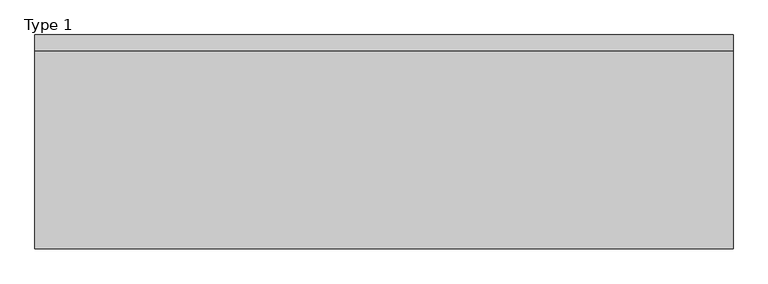
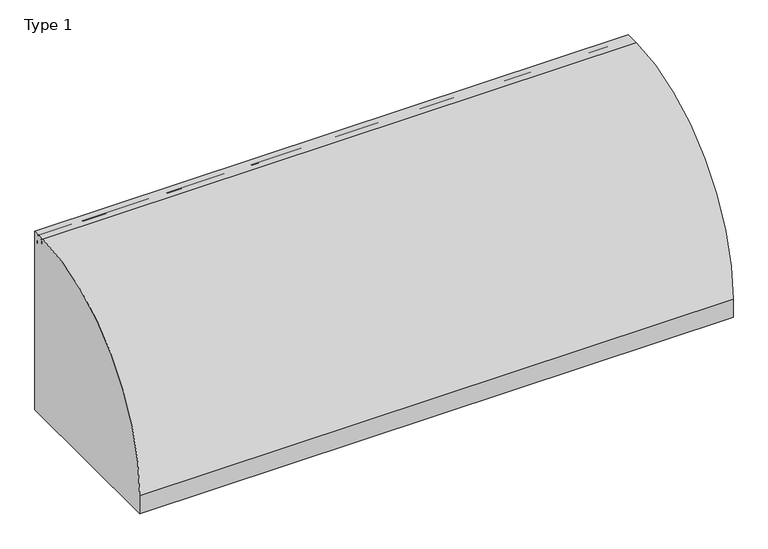
"""IFC4 building model written with IfcOpenShell, lengths in millimetres: railing geometry, Type 1."""

from ifc_helpers import new_model, si_unit, point, frame, frame_2d, origin, place, context, project, spatial, polyline, circle_curve, trimmed, segment, composite_curve, outline, extrude, source, transform, mapped, element, save
from ifc_brep_helpers import plane_surface, cylinder_surface, revolved_surface, advanced_brep


def type_1_a88101f5(model_context):
    return source(origin(), model_context, "Body", "SolidModel", [
        extrude(outline(composite_curve([segment(polyline([(824.2, 1050.0), (824.2, 0.0), (-187.2, 0.0), (-187.2, 108.0)]), True, "CONTINUOUS"), segment(trimmed(circle_curve(frame_2d((754.8273072, 108.0)), 942.0273072), [point((-187.2, 108.0))], [point((747.6546144, 1050.0))], False, "CARTESIAN"), True, "CONTINUOUS"), segment(polyline([(747.6546144, 1050.0), (824.2, 1050.0)]), True, "CONTINUOUS")], self_intersect=False)), frame((-415.0, 0.0, 0.0), z_axis=(1.0, 0.0, 0.0), x_axis=(0.0, 1.0, 0.0)), (0.0, 0.0, 1.0), 3305.0),
        extrude(outline(composite_curve([segment(polyline([(727.7, 530.617273), (731.7, 530.617273), (731.7, 545.382727), (727.7, 545.382727)]), True, "CONTINUOUS"), segment(trimmed(circle_curve(frame_2d((746.287505, 538.0)), 20.0), [point((727.7, 545.382727))], [point((762.0, 550.3740657))], False, "CARTESIAN"), True, "CONTINUOUS"), segment(polyline([(762.0, 550.3740657), (762.0, 525.6259343)]), True, "CONTINUOUS"), segment(trimmed(circle_curve(frame_2d((746.287505, 538.0)), 20.0), [point((762.0, 525.6259343))], [point((727.7, 530.617273))], False, "CARTESIAN"), True, "CONTINUOUS")], self_intersect=False)), frame((-393.0, 0.0, 0.0), z_axis=(1.0, 0.0, 0.0), x_axis=(0.0, 1.0, 0.0)), (0.0, 0.0, 1.0), 3243.0),
        extrude(outline(composite_curve([segment(polyline([(802.0, 1011.43534), (802.0, 993.0), (801.0, 993.0), (801.0, 1008.0), (761.0, 1008.0), (761.0, 993.0), (760.0, 993.0), (760.0, 1011.43534)]), True, "CONTINUOUS"), segment(trimmed(circle_curve(frame_2d((781.0, 1025.0)), 25.0), [point((760.0, 1011.43534))], [point((802.0, 1011.43534))], False, "CARTESIAN"), True, "CONTINUOUS")], self_intersect=False)), frame((-415.0, 0.0, 0.0), z_axis=(1.0, 0.0, 0.0), x_axis=(0.0, 1.0, 0.0)), (0.0, 0.0, 1.0), 3305.0),
        extrude(outline(composite_curve([segment(polyline([(800.0, 185.0), (800.0, 0.0), (598.1818182, 0.0), (598.1818182, 41.5250756)]), True, "CONTINUOUS"), segment(trimmed(circle_curve(frame_2d((609.3939394, 41.5250756)), 11.2121212), [point((598.1818182, 41.5250756))], [point((601.4657725, 49.4532425))], False, "CARTESIAN"), True, "CONTINUOUS"), segment(polyline([(601.4657725, 49.4532425), (715.6668272, 163.6542973)]), True, "CONTINUOUS"), segment(trimmed(circle_curve(frame_2d((767.1999123, 112.1212122)), 72.8787879), [point((715.6668272, 163.6542973))], [point((767.1999123, 185.0))], False, "CARTESIAN"), True, "CONTINUOUS"), segment(polyline([(767.1999123, 185.0), (800.0, 185.0)]), True, "CONTINUOUS")], self_intersect=False), holes=[composite_curve([segment(trimmed(circle_curve(frame_2d((778.6969697, 93.0361975)), 67.389419), [point((711.3075507, 93.0361975))], [point((770.5995631, 159.9373619))], False, "CARTESIAN"), True, "CONTINUOUS"), segment(trimmed(circle_curve(frame_2d((770.8668077, 157.7293747)), 2.2241014), [point((770.5995631, 159.9373619))], [point((773.0909091, 157.7293747))], False, "CARTESIAN"), True, "CONTINUOUS"), segment(polyline([(773.0909091, 157.7293747), (773.0909091, 143.5676849)]), True, "CONTINUOUS"), segment(trimmed(circle_curve(frame_2d((778.6969697, 143.5676849)), 5.6060606), [point((773.0909091, 143.5676849))], [point((784.3030303, 143.5676849))], True, "CARTESIAN"), True, "CONTINUOUS"), segment(polyline([(784.3030303, 143.5676849), (784.3030303, 166.0316771)]), True, "CONTINUOUS"), segment(trimmed(circle_curve(frame_2d((778.6969697, 166.0316771)), 5.6060606), [point((784.3030303, 166.0316771))], [point((778.6969697, 171.6377377))], True, "CARTESIAN"), True, "CONTINUOUS"), segment(trimmed(circle_curve(frame_2d((778.6969697, 93.0361975)), 78.6015402), [point((778.6969697, 171.6377377))], [point((700.0954295, 93.0361975))], True, "CARTESIAN"), True, "CONTINUOUS"), segment(trimmed(circle_curve(frame_2d((705.7014901, 93.0361975)), 5.6060606), [point((700.0954295, 93.0361975))], [point((711.3075507, 93.0361975))], True, "CARTESIAN"), True, "CONTINUOUS")], self_intersect=False)]), frame((1215.0, 0.0, 0.0), z_axis=(1.0, 0.0, 0.0), x_axis=(0.0, 1.0, 0.0)), (0.0, 0.0, 1.0), 2.5),
        advanced_brep(
        [(1282.5, 800.0, 185.0), (1282.5, 800.0, 100.9768515), (1282.5, 800.0, 0.0), (1282.5, 598.1818182, 0.0), (1282.5, 598.1818182, 41.5250756), (1282.5, 601.4657725, 49.4532425), (1282.5, 715.6668272, 163.6542973), (1282.5, 767.1999123, 185.0), (1282.5, 711.3075507, 93.0361975), (1282.5, 770.5995631, 159.9373619), (1282.5, 773.0909091, 157.7293747), (1282.5, 773.0909091, 143.5676849), (1282.5, 784.3030303, 143.5676849), (1282.5, 784.3030303, 166.0316771), (1282.5, 778.6969697, 171.6377377), (1282.5, 700.0954295, 93.0361975), (1285.0, 800.0, 0.0), (1285.0, 800.0, 100.9768515), (1285.0, 802.0, 100.9768515), (1285.0, 802.0, 185.0), (1285.0, 767.1999123, 185.0), (1285.0, 715.6668272, 163.6542973), (1285.0, 601.4657725, 49.4532425), (1285.0, 598.1818182, 41.5250756), (1285.0, 598.1818182, 0.0), (1285.0, 711.3075507, 93.0361975), (1285.0, 700.0954295, 93.0361975), (1285.0, 778.6969697, 171.6377377), (1285.0, 784.3030303, 166.0316771), (1285.0, 784.3030303, 143.5676849), (1285.0, 773.0909091, 143.5676849), (1285.0, 773.0909091, 157.7293747), (1285.0, 770.5995631, 159.9373619), (1215.0, 802.0, 185.0), (1215.0, 800.0, 185.0), (1215.0, 802.0, 100.9768515), (1215.0, 800.0, 100.9768515)],
        [
            (0, 1),
            (1, 2),
            (2, 3),
            (3, 4),
            (4, 5, circle_curve(frame((1282.5, 609.3939394, 41.5250756), z_axis=(-1.0, 0.0, 0.0), x_axis=(0.0, 1.0, 0.0)), 11.2121212)),
            (5, 6),
            (6, 7, circle_curve(frame((1282.5, 767.1999123, 112.1212122), z_axis=(-1.0, 0.0, 0.0), x_axis=(0.0, 1.0, 0.0)), 72.8787879)),
            (7, 0),
            (8, 9, circle_curve(frame((1282.5, 778.6969697, 93.0361975), z_axis=(-1.0, 0.0, 0.0), x_axis=(0.0, 1.0, 0.0)), 67.389419)),
            (9, 10, circle_curve(frame((1282.5, 770.8668077, 157.7293747), z_axis=(-1.0, 0.0, 0.0), x_axis=(0.0, 1.0, 0.0)), 2.2241014)),
            (10, 11),
            (11, 12, circle_curve(frame((1282.5, 778.6969697, 143.5676849), z_axis=(1.0, 0.0, 0.0), x_axis=(0.0, 1.0, 0.0)), 5.6060606)),
            (12, 13),
            (13, 14, circle_curve(frame((1282.5, 778.6969697, 166.0316771), z_axis=(1.0, 0.0, 0.0), x_axis=(0.0, 1.0, 0.0)), 5.6060606)),
            (14, 15, circle_curve(frame((1282.5, 778.6969697, 93.0361975), z_axis=(1.0, 0.0, 0.0), x_axis=(0.0, 1.0, 0.0)), 78.6015402)),
            (15, 8, circle_curve(frame((1282.5, 705.7014901, 93.0361975), z_axis=(1.0, 0.0, 0.0), x_axis=(0.0, 1.0, 0.0)), 5.6060606)),
            (16, 17),
            (17, 18),
            (18, 19),
            (19, 20),
            (20, 21, circle_curve(frame((1285.0, 767.1999123, 112.1212122), z_axis=(1.0, 0.0, 0.0), x_axis=(0.0, 1.0, 0.0)), 72.8787879)),
            (21, 22),
            (22, 23, circle_curve(frame((1285.0, 609.3939394, 41.5250756), z_axis=(1.0, 0.0, 0.0), x_axis=(0.0, 1.0, 0.0)), 11.2121212)),
            (23, 24),
            (24, 16),
            (25, 26, circle_curve(frame((1285.0, 705.7014901, 93.0361975), z_axis=(-1.0, 0.0, 0.0), x_axis=(0.0, 1.0, 0.0)), 5.6060606)),
            (26, 27, circle_curve(frame((1285.0, 778.6969697, 93.0361975), z_axis=(-1.0, 0.0, 0.0), x_axis=(0.0, 1.0, 0.0)), 78.6015402)),
            (27, 28, circle_curve(frame((1285.0, 778.6969697, 166.0316771), z_axis=(-1.0, 0.0, 0.0), x_axis=(0.0, 1.0, 0.0)), 5.6060606)),
            (28, 29),
            (29, 30, circle_curve(frame((1285.0, 778.6969697, 143.5676849), z_axis=(-1.0, 0.0, 0.0), x_axis=(0.0, 1.0, 0.0)), 5.6060606)),
            (30, 31),
            (31, 32, circle_curve(frame((1285.0, 770.8668077, 157.7293747), z_axis=(1.0, 0.0, 0.0), x_axis=(0.0, 1.0, 0.0)), 2.2241014)),
            (32, 25, circle_curve(frame((1285.0, 778.6969697, 93.0361975), z_axis=(1.0, 0.0, 0.0), x_axis=(0.0, 1.0, 0.0)), 67.389419)),
            (7, 20),
            (19, 33),
            (33, 34),
            (34, 0),
            (6, 21),
            (5, 22),
            (4, 23),
            (3, 24),
            (2, 16),
            (1, 17),
            (15, 26),
            (25, 8),
            (14, 27),
            (13, 28),
            (32, 9),
            (12, 29),
            (11, 30),
            (10, 31),
            (18, 35),
            (35, 33),
            (36, 1),
            (34, 36),
            (35, 36),
        ],
        [
            plane_surface(frame((1282.5, 798.2270223, 185.0), z_axis=(-1.0, 0.0, 0.0), x_axis=(0.0, -1.0, 0.0))),
            plane_surface(frame((1285.0, 798.2270223, 185.0), z_axis=(1.0, 0.0, 0.0), x_axis=(0.0, 1.0, 0.0))),
            plane_surface(frame((1282.5, 800.0, 185.0), z_axis=(0.0, 0.0, 1.0), x_axis=(1.0, 0.0, 0.0))),
            cylinder_surface(frame((1285.0, 767.1999123, 112.1212122), z_axis=(-1.0, 0.0, 0.0), x_axis=(0.0, 1.0, 0.0)), 72.8787879),
            plane_surface(frame((1282.5, 715.6668272, 163.6542973), z_axis=(0.0, -0.7071067811865421, 0.7071067811865529), x_axis=(1.0, 0.0, 0.0))),
            cylinder_surface(frame((1285.0, 609.3939394, 41.5250756), z_axis=(-1.0, 0.0, 0.0), x_axis=(0.0, 1.0, 0.0)), 11.2121212),
            plane_surface(frame((1282.5, 598.1818182, 41.5250756), z_axis=(0.0, -1.0, 0.0), x_axis=(1.0, 0.0, 0.0))),
            plane_surface(frame((1282.5, 598.1818182, 0.0), z_axis=(0.0, 0.0, -1.0), x_axis=(1.0, 0.0, 0.0))),
            plane_surface(frame((1282.5, 800.0, 0.0), z_axis=(0.0, 1.0, 0.0), x_axis=(1.0, 0.0, 0.0))),
            revolved_surface(polyline([(1285.0, 711.3075507, 93.0361975), (1282.5, 711.3075507, 93.0361975)]), (1285.0, 705.7014901, 93.0361975), (1.0, 0.0, 0.0)),
            revolved_surface(polyline([(1285.0, 857.2985099, 93.0361975), (1282.5, 857.2985099, 93.0361975)]), (1285.0, 778.6969697, 93.0361975), (1.0, 0.0, 0.0)),
            revolved_surface(polyline([(1285.0, 784.3030302999999, 166.0316771), (1282.5, 784.3030302999999, 166.0316771)]), (1285.0, 778.6969697, 166.0316771), (1.0, 0.0, 0.0)),
            cylinder_surface(frame((1285.0, 778.6969697, 93.0361975), z_axis=(-1.0, 0.0, 0.0), x_axis=(0.0, 1.0, 0.0)), 67.389419),
            plane_surface(frame((1282.5, 784.3030303, 166.0316771), z_axis=(0.0, -1.0, 0.0), x_axis=(1.0, 0.0, 0.0))),
            revolved_surface(polyline([(1285.0, 784.3030302999999, 143.5676849), (1282.5, 784.3030302999999, 143.5676849)]), (1285.0, 778.6969697, 143.5676849), (1.0, 0.0, 0.0)),
            plane_surface(frame((1282.5, 773.0909091, 143.5676849), z_axis=(0.0, 1.0, 0.0), x_axis=(1.0, 0.0, 0.0))),
            cylinder_surface(frame((1285.0, 770.8668077, 157.7293747), z_axis=(-1.0, 0.0, 0.0), x_axis=(0.0, 1.0, 0.0)), 2.2241014),
            plane_surface(frame((1215.0, 802.0, 185.0), z_axis=(0.0, 1.0, 0.0), x_axis=(-1.0, 0.0, 0.0))),
            plane_surface(frame((1215.0, 800.0, 185.0), z_axis=(0.0, -1.0, 0.0), x_axis=(1.0, 0.0, 0.0))),
            plane_surface(frame((1215.0, 802.0, 185.0), z_axis=(-1.0, 0.0, 0.0), x_axis=(0.0, -1.0, 0.0))),
            plane_surface(frame((1215.0, 802.0, 100.9768515), z_axis=(0.0, 0.0, -1.0), x_axis=(0.0, -1.0, 0.0))),
        ],
        [
            (0, [[1, 2, 3, 4, 5, 6, 7, 8], [9, 10, 11, 12, 13, 14, 15, 16]]),
            (1, [[17, 18, 19, 20, 21, 22, 23, 24, 25], [26, 27, 28, 29, 30, 31, 32, 33]]),
            (2, [[34, -20, 35, 36, 37, -8]]),
            (3, [[38, -21, -34, -7]]),
            (4, [[39, -22, -38, -6]]),
            (5, [[40, -23, -39, -5]]),
            (6, [[41, -24, -40, -4]]),
            (7, [[42, -25, -41, -3]]),
            (8, [[-2, 43, -17, -42]]),
            (9, [[44, -26, 45, -16]]),
            (10, [[46, -27, -44, -15]]),
            (11, [[47, -28, -46, -14]]),
            (12, [[-45, -33, 48, -9]]),
            (13, [[49, -29, -47, -13]]),
            (14, [[50, -30, -49, -12]]),
            (15, [[51, -31, -50, -11]]),
            (16, [[-48, -32, -51, -10]]),
            (17, [[-19, 52, 53, -35]]),
            (18, [[54, -1, -37, 55]]),
            (19, [[56, -55, -36, -53]]),
            (20, [[-18, -43, -54, -56, -52]]),
        ],
    ),
        extrude(outline(composite_curve([segment(polyline([(1227.0, 800.0), (1273.0, 800.0)]), True, "CONTINUOUS"), segment(trimmed(circle_curve(frame_2d((1273.0, 795.0)), 5.0), [point((1273.0, 800.0))], [point((1278.0, 795.0))], False, "CARTESIAN"), True, "CONTINUOUS"), segment(polyline([(1278.0, 795.0), (1278.0, 767.0)]), True, "CONTINUOUS"), segment(trimmed(circle_curve(frame_2d((1273.0, 767.0)), 5.0), [point((1278.0, 767.0))], [point((1273.0, 762.0))], False, "CARTESIAN"), True, "CONTINUOUS"), segment(polyline([(1273.0, 762.0), (1227.0, 762.0)]), True, "CONTINUOUS"), segment(trimmed(circle_curve(frame_2d((1227.0, 767.0)), 5.0), [point((1227.0, 762.0))], [point((1222.0, 767.0))], False, "CARTESIAN"), True, "CONTINUOUS"), segment(polyline([(1222.0, 767.0), (1222.0, 795.0)]), True, "CONTINUOUS"), segment(trimmed(circle_curve(frame_2d((1227.0, 795.0)), 5.0), [point((1222.0, 795.0))], [point((1227.0, 800.0))], False, "CARTESIAN"), True, "CONTINUOUS")], self_intersect=False)), frame((0.0, 0.0, 43.0), z_axis=(0.0, 0.0, 1.0), x_axis=(1.0, 0.0, 0.0)), (0.0, 0.0, 1.0), 965.0),
        extrude(outline(composite_curve([segment(polyline([(0.0, 1282.5), (36.5, 1282.5)]), True, "CONTINUOUS"), segment(trimmed(circle_curve(frame_2d((36.5, 1281.0)), 1.5), [point((36.5, 1282.5))], [point((36.5, 1279.5))], False, "CARTESIAN"), True, "CONTINUOUS"), segment(polyline([(36.5, 1279.5), (3.0, 1279.5), (3.0, 1220.5), (36.5, 1220.5)]), True, "CONTINUOUS"), segment(trimmed(circle_curve(frame_2d((36.5, 1219.0)), 1.5), [point((36.5, 1220.5))], [point((36.5, 1217.5))], False, "CARTESIAN"), True, "CONTINUOUS"), segment(polyline([(36.5, 1217.5), (0.0, 1217.5), (0.0, 1282.5)]), True, "CONTINUOUS")], self_intersect=False)), frame((0.0, 0.0, 0.0), z_axis=(0.0, 1.0, 0.0), x_axis=(0.0, 0.0, 1.0)), (0.0, 0.0, 1.0), 800.0),
        extrude(outline(composite_curve([segment(polyline([(800.0, 185.0), (800.0, 0.0), (598.1818182, 0.0), (598.1818182, 41.5250756)]), True, "CONTINUOUS"), segment(trimmed(circle_curve(frame_2d((609.3939394, 41.5250756)), 11.2121212), [point((598.1818182, 41.5250756))], [point((601.4657725, 49.4532425))], False, "CARTESIAN"), True, "CONTINUOUS"), segment(polyline([(601.4657725, 49.4532425), (715.6668272, 163.6542973)]), True, "CONTINUOUS"), segment(trimmed(circle_curve(frame_2d((767.1999123, 112.1212122)), 72.8787879), [point((715.6668272, 163.6542973))], [point((767.1999123, 185.0))], False, "CARTESIAN"), True, "CONTINUOUS"), segment(polyline([(767.1999123, 185.0), (800.0, 185.0)]), True, "CONTINUOUS")], self_intersect=False), holes=[composite_curve([segment(trimmed(circle_curve(frame_2d((778.6969697, 93.0361975)), 67.389419), [point((711.3075507, 93.0361975))], [point((770.5995631, 159.9373619))], False, "CARTESIAN"), True, "CONTINUOUS"), segment(trimmed(circle_curve(frame_2d((770.8668077, 157.7293747)), 2.2241014), [point((770.5995631, 159.9373619))], [point((773.0909091, 157.7293747))], False, "CARTESIAN"), True, "CONTINUOUS"), segment(polyline([(773.0909091, 157.7293747), (773.0909091, 143.5676849)]), True, "CONTINUOUS"), segment(trimmed(circle_curve(frame_2d((778.6969697, 143.5676849)), 5.6060606), [point((773.0909091, 143.5676849))], [point((784.3030303, 143.5676849))], True, "CARTESIAN"), True, "CONTINUOUS"), segment(polyline([(784.3030303, 143.5676849), (784.3030303, 166.0316771)]), True, "CONTINUOUS"), segment(trimmed(circle_curve(frame_2d((778.6969697, 166.0316771)), 5.6060606), [point((784.3030303, 166.0316771))], [point((778.6969697, 171.6377377))], True, "CARTESIAN"), True, "CONTINUOUS"), segment(trimmed(circle_curve(frame_2d((778.6969697, 93.0361975)), 78.6015402), [point((778.6969697, 171.6377377))], [point((700.0954295, 93.0361975))], True, "CARTESIAN"), True, "CONTINUOUS"), segment(trimmed(circle_curve(frame_2d((705.7014901, 93.0361975)), 5.6060606), [point((700.0954295, 93.0361975))], [point((711.3075507, 93.0361975))], True, "CARTESIAN"), True, "CONTINUOUS")], self_intersect=False)]), frame((2437.0, 0.0, 0.0), z_axis=(1.0, 0.0, 0.0), x_axis=(0.0, 1.0, 0.0)), (0.0, 0.0, 1.0), 2.5),
        advanced_brep(
        [(2504.5, 800.0, 185.0), (2504.5, 800.0, 100.9768515), (2504.5, 800.0, 0.0), (2504.5, 598.1818182, 0.0), (2504.5, 598.1818182, 41.5250756), (2504.5, 601.4657725, 49.4532425), (2504.5, 715.6668272, 163.6542973), (2504.5, 767.1999123, 185.0), (2504.5, 711.3075507, 93.0361975), (2504.5, 770.5995631, 159.9373619), (2504.5, 773.0909091, 157.7293747), (2504.5, 773.0909091, 143.5676849), (2504.5, 784.3030303, 143.5676849), (2504.5, 784.3030303, 166.0316771), (2504.5, 778.6969697, 171.6377377), (2504.5, 700.0954295, 93.0361975), (2507.0, 800.0, 0.0), (2507.0, 800.0, 100.9768515), (2507.0, 802.0, 100.9768515), (2507.0, 802.0, 185.0), (2507.0, 767.1999123, 185.0), (2507.0, 715.6668272, 163.6542973), (2507.0, 601.4657725, 49.4532425), (2507.0, 598.1818182, 41.5250756), (2507.0, 598.1818182, 0.0), (2507.0, 711.3075507, 93.0361975), (2507.0, 700.0954295, 93.0361975), (2507.0, 778.6969697, 171.6377377), (2507.0, 784.3030303, 166.0316771), (2507.0, 784.3030303, 143.5676849), (2507.0, 773.0909091, 143.5676849), (2507.0, 773.0909091, 157.7293747), (2507.0, 770.5995631, 159.9373619), (2437.0, 802.0, 185.0), (2437.0, 800.0, 185.0), (2437.0, 802.0, 100.9768515), (2437.0, 800.0, 100.9768515)],
        [
            (0, 1),
            (1, 2),
            (2, 3),
            (3, 4),
            (4, 5, circle_curve(frame((2504.5, 609.3939394, 41.5250756), z_axis=(-1.0, 0.0, 0.0), x_axis=(0.0, 1.0, 0.0)), 11.2121212)),
            (5, 6),
            (6, 7, circle_curve(frame((2504.5, 767.1999123, 112.1212122), z_axis=(-1.0, 0.0, 0.0), x_axis=(0.0, 1.0, 0.0)), 72.8787879)),
            (7, 0),
            (8, 9, circle_curve(frame((2504.5, 778.6969697, 93.0361975), z_axis=(-1.0, 0.0, 0.0), x_axis=(0.0, 1.0, 0.0)), 67.389419)),
            (9, 10, circle_curve(frame((2504.5, 770.8668077, 157.7293747), z_axis=(-1.0, 0.0, 0.0), x_axis=(0.0, 1.0, 0.0)), 2.2241014)),
            (10, 11),
            (11, 12, circle_curve(frame((2504.5, 778.6969697, 143.5676849), z_axis=(1.0, 0.0, 0.0), x_axis=(0.0, 1.0, 0.0)), 5.6060606)),
            (12, 13),
            (13, 14, circle_curve(frame((2504.5, 778.6969697, 166.0316771), z_axis=(1.0, 0.0, 0.0), x_axis=(0.0, 1.0, 0.0)), 5.6060606)),
            (14, 15, circle_curve(frame((2504.5, 778.6969697, 93.0361975), z_axis=(1.0, 0.0, 0.0), x_axis=(0.0, 1.0, 0.0)), 78.6015402)),
            (15, 8, circle_curve(frame((2504.5, 705.7014901, 93.0361975), z_axis=(1.0, 0.0, 0.0), x_axis=(0.0, 1.0, 0.0)), 5.6060606)),
            (16, 17),
            (17, 18),
            (18, 19),
            (19, 20),
            (20, 21, circle_curve(frame((2507.0, 767.1999123, 112.1212122), z_axis=(1.0, 0.0, 0.0), x_axis=(0.0, 1.0, 0.0)), 72.8787879)),
            (21, 22),
            (22, 23, circle_curve(frame((2507.0, 609.3939394, 41.5250756), z_axis=(1.0, 0.0, 0.0), x_axis=(0.0, 1.0, 0.0)), 11.2121212)),
            (23, 24),
            (24, 16),
            (25, 26, circle_curve(frame((2507.0, 705.7014901, 93.0361975), z_axis=(-1.0, 0.0, 0.0), x_axis=(0.0, 1.0, 0.0)), 5.6060606)),
            (26, 27, circle_curve(frame((2507.0, 778.6969697, 93.0361975), z_axis=(-1.0, 0.0, 0.0), x_axis=(0.0, 1.0, 0.0)), 78.6015402)),
            (27, 28, circle_curve(frame((2507.0, 778.6969697, 166.0316771), z_axis=(-1.0, 0.0, 0.0), x_axis=(0.0, 1.0, 0.0)), 5.6060606)),
            (28, 29),
            (29, 30, circle_curve(frame((2507.0, 778.6969697, 143.5676849), z_axis=(-1.0, 0.0, 0.0), x_axis=(0.0, 1.0, 0.0)), 5.6060606)),
            (30, 31),
            (31, 32, circle_curve(frame((2507.0, 770.8668077, 157.7293747), z_axis=(1.0, 0.0, 0.0), x_axis=(0.0, 1.0, 0.0)), 2.2241014)),
            (32, 25, circle_curve(frame((2507.0, 778.6969697, 93.0361975), z_axis=(1.0, 0.0, 0.0), x_axis=(0.0, 1.0, 0.0)), 67.389419)),
            (7, 20),
            (19, 33),
            (33, 34),
            (34, 0),
            (6, 21),
            (5, 22),
            (4, 23),
            (3, 24),
            (2, 16),
            (1, 17),
            (15, 26),
            (25, 8),
            (14, 27),
            (13, 28),
            (32, 9),
            (12, 29),
            (11, 30),
            (10, 31),
            (18, 35),
            (35, 33),
            (36, 1),
            (34, 36),
            (35, 36),
        ],
        [
            plane_surface(frame((2504.5, 798.2270223, 185.0), z_axis=(-1.0, 0.0, 0.0), x_axis=(0.0, -1.0, 0.0))),
            plane_surface(frame((2507.0, 798.2270223, 185.0), z_axis=(1.0, 0.0, 0.0), x_axis=(0.0, 1.0, 0.0))),
            plane_surface(frame((2504.5, 800.0, 185.0), z_axis=(0.0, 0.0, 1.0), x_axis=(1.0, 0.0, 0.0))),
            cylinder_surface(frame((2507.0, 767.1999123, 112.1212122), z_axis=(-1.0, 0.0, 0.0), x_axis=(0.0, 1.0, 0.0)), 72.8787879),
            plane_surface(frame((2504.5, 715.6668272, 163.6542973), z_axis=(0.0, -0.7071067811865421, 0.7071067811865529), x_axis=(1.0, 0.0, 0.0))),
            cylinder_surface(frame((2507.0, 609.3939394, 41.5250756), z_axis=(-1.0, 0.0, 0.0), x_axis=(0.0, 1.0, 0.0)), 11.2121212),
            plane_surface(frame((2504.5, 598.1818182, 41.5250756), z_axis=(0.0, -1.0, 0.0), x_axis=(1.0, 0.0, 0.0))),
            plane_surface(frame((2504.5, 598.1818182, 0.0), z_axis=(0.0, 0.0, -1.0), x_axis=(1.0, 0.0, 0.0))),
            plane_surface(frame((2504.5, 800.0, 0.0), z_axis=(0.0, 1.0, 0.0), x_axis=(1.0, 0.0, 0.0))),
            revolved_surface(polyline([(2507.0, 711.3075507, 93.0361975), (2504.5, 711.3075507, 93.0361975)]), (2507.0, 705.7014901, 93.0361975), (1.0, 0.0, 0.0)),
            revolved_surface(polyline([(2507.0, 857.2985099, 93.0361975), (2504.5, 857.2985099, 93.0361975)]), (2507.0, 778.6969697, 93.0361975), (1.0, 0.0, 0.0)),
            revolved_surface(polyline([(2507.0, 784.3030302999999, 166.0316771), (2504.5, 784.3030302999999, 166.0316771)]), (2507.0, 778.6969697, 166.0316771), (1.0, 0.0, 0.0)),
            cylinder_surface(frame((2507.0, 778.6969697, 93.0361975), z_axis=(-1.0, 0.0, 0.0), x_axis=(0.0, 1.0, 0.0)), 67.389419),
            plane_surface(frame((2504.5, 784.3030303, 166.0316771), z_axis=(0.0, -1.0, 0.0), x_axis=(1.0, 0.0, 0.0))),
            revolved_surface(polyline([(2507.0, 784.3030302999999, 143.5676849), (2504.5, 784.3030302999999, 143.5676849)]), (2507.0, 778.6969697, 143.5676849), (1.0, 0.0, 0.0)),
            plane_surface(frame((2504.5, 773.0909091, 143.5676849), z_axis=(0.0, 1.0, 0.0), x_axis=(1.0, 0.0, 0.0))),
            cylinder_surface(frame((2507.0, 770.8668077, 157.7293747), z_axis=(-1.0, 0.0, 0.0), x_axis=(0.0, 1.0, 0.0)), 2.2241014),
            plane_surface(frame((2437.0, 802.0, 185.0), z_axis=(0.0, 1.0, 0.0), x_axis=(-1.0, 0.0, 0.0))),
            plane_surface(frame((2437.0, 800.0, 185.0), z_axis=(0.0, -1.0, 0.0), x_axis=(1.0, 0.0, 0.0))),
            plane_surface(frame((2437.0, 802.0, 185.0), z_axis=(-1.0, 0.0, 0.0), x_axis=(0.0, -1.0, 0.0))),
            plane_surface(frame((2437.0, 802.0, 100.9768515), z_axis=(0.0, 0.0, -1.0), x_axis=(0.0, -1.0, 0.0))),
        ],
        [
            (0, [[1, 2, 3, 4, 5, 6, 7, 8], [9, 10, 11, 12, 13, 14, 15, 16]]),
            (1, [[17, 18, 19, 20, 21, 22, 23, 24, 25], [26, 27, 28, 29, 30, 31, 32, 33]]),
            (2, [[34, -20, 35, 36, 37, -8]]),
            (3, [[38, -21, -34, -7]]),
            (4, [[39, -22, -38, -6]]),
            (5, [[40, -23, -39, -5]]),
            (6, [[41, -24, -40, -4]]),
            (7, [[42, -25, -41, -3]]),
            (8, [[-2, 43, -17, -42]]),
            (9, [[44, -26, 45, -16]]),
            (10, [[46, -27, -44, -15]]),
            (11, [[47, -28, -46, -14]]),
            (12, [[-45, -33, 48, -9]]),
            (13, [[49, -29, -47, -13]]),
            (14, [[50, -30, -49, -12]]),
            (15, [[51, -31, -50, -11]]),
            (16, [[-48, -32, -51, -10]]),
            (17, [[-19, 52, 53, -35]]),
            (18, [[54, -1, -37, 55]]),
            (19, [[56, -55, -36, -53]]),
            (20, [[-18, -43, -54, -56, -52]]),
        ],
    ),
        extrude(outline(composite_curve([segment(polyline([(2449.0, 800.0), (2495.0, 800.0)]), True, "CONTINUOUS"), segment(trimmed(circle_curve(frame_2d((2495.0, 795.0)), 5.0), [point((2495.0, 800.0))], [point((2500.0, 795.0))], False, "CARTESIAN"), True, "CONTINUOUS"), segment(polyline([(2500.0, 795.0), (2500.0, 767.0)]), True, "CONTINUOUS"), segment(trimmed(circle_curve(frame_2d((2495.0, 767.0)), 5.0), [point((2500.0, 767.0))], [point((2495.0, 762.0))], False, "CARTESIAN"), True, "CONTINUOUS"), segment(polyline([(2495.0, 762.0), (2449.0, 762.0)]), True, "CONTINUOUS"), segment(trimmed(circle_curve(frame_2d((2449.0, 767.0)), 5.0), [point((2449.0, 762.0))], [point((2444.0, 767.0))], False, "CARTESIAN"), True, "CONTINUOUS"), segment(polyline([(2444.0, 767.0), (2444.0, 795.0)]), True, "CONTINUOUS"), segment(trimmed(circle_curve(frame_2d((2449.0, 795.0)), 5.0), [point((2444.0, 795.0))], [point((2449.0, 800.0))], False, "CARTESIAN"), True, "CONTINUOUS")], self_intersect=False)), frame((0.0, 0.0, 43.0), z_axis=(0.0, 0.0, 1.0), x_axis=(1.0, 0.0, 0.0)), (0.0, 0.0, 1.0), 965.0),
        extrude(outline(composite_curve([segment(polyline([(0.0, 2504.5), (36.5, 2504.5)]), True, "CONTINUOUS"), segment(trimmed(circle_curve(frame_2d((36.5, 2503.0)), 1.5), [point((36.5, 2504.5))], [point((36.5, 2501.5))], False, "CARTESIAN"), True, "CONTINUOUS"), segment(polyline([(36.5, 2501.5), (3.0, 2501.5), (3.0, 2442.5), (36.5, 2442.5)]), True, "CONTINUOUS"), segment(trimmed(circle_curve(frame_2d((36.5, 2441.0)), 1.5), [point((36.5, 2442.5))], [point((36.5, 2439.5))], False, "CARTESIAN"), True, "CONTINUOUS"), segment(polyline([(36.5, 2439.5), (0.0, 2439.5), (0.0, 2504.5)]), True, "CONTINUOUS")], self_intersect=False)), frame((0.0, 0.0, 0.0), z_axis=(0.0, 1.0, 0.0), x_axis=(0.0, 0.0, 1.0)), (0.0, 0.0, 1.0), 800.0),
        extrude(outline(composite_curve([segment(polyline([(800.0, 185.0), (800.0, 0.0), (598.1818182, 0.0), (598.1818182, 41.5250755)]), True, "CONTINUOUS"), segment(trimmed(circle_curve(frame_2d((609.3939394, 41.5250755)), 11.2121212), [point((598.1818182, 41.5250755))], [point((601.4657725, 49.4532425))], False, "CARTESIAN"), True, "CONTINUOUS"), segment(polyline([(601.4657725, 49.4532425), (715.6668272, 163.6542972)]), True, "CONTINUOUS"), segment(trimmed(circle_curve(frame_2d((767.1999123, 112.1212121)), 72.8787879), [point((715.6668272, 163.6542972))], [point((767.1999123, 185.0))], False, "CARTESIAN"), True, "CONTINUOUS"), segment(polyline([(767.1999123, 185.0), (800.0, 185.0)]), True, "CONTINUOUS")], self_intersect=False), holes=[composite_curve([segment(trimmed(circle_curve(frame_2d((778.6969697, 93.0361974)), 67.389419), [point((711.3075507, 93.0361974))], [point((770.5995631, 159.9373618))], False, "CARTESIAN"), True, "CONTINUOUS"), segment(trimmed(circle_curve(frame_2d((770.8668077, 157.7293746)), 2.2241014), [point((770.5995631, 159.9373618))], [point((773.0909091, 157.7293746))], False, "CARTESIAN"), True, "CONTINUOUS"), segment(polyline([(773.0909091, 157.7293746), (773.0909091, 143.5676849)]), True, "CONTINUOUS"), segment(trimmed(circle_curve(frame_2d((778.6969697, 143.5676849)), 5.6060606), [point((773.0909091, 143.5676849))], [point((784.3030303, 143.5676849))], True, "CARTESIAN"), True, "CONTINUOUS"), segment(polyline([(784.3030303, 143.5676849), (784.3030303, 166.031677)]), True, "CONTINUOUS"), segment(trimmed(circle_curve(frame_2d((778.6969697, 166.031677)), 5.6060606), [point((784.3030303, 166.031677))], [point((778.6969697, 171.6377376))], True, "CARTESIAN"), True, "CONTINUOUS"), segment(trimmed(circle_curve(frame_2d((778.6969697, 93.0361974)), 78.6015402), [point((778.6969697, 171.6377376))], [point((700.0954295, 93.0361974))], True, "CARTESIAN"), True, "CONTINUOUS"), segment(trimmed(circle_curve(frame_2d((705.7014901, 93.0361974)), 5.6060606), [point((700.0954295, 93.0361974))], [point((711.3075507, 93.0361974))], True, "CARTESIAN"), True, "CONTINUOUS")], self_intersect=False)]), frame((-7.0, 0.0, 0.0), z_axis=(1.0, 0.0, 0.0), x_axis=(0.0, 1.0, 0.0)), (0.0, 0.0, 1.0), 2.5),
        advanced_brep(
        [(60.5, 800.0, 185.0), (60.5, 800.0, 100.9768514), (60.5, 800.0, 0.0), (60.5, 598.1818182, 0.0), (60.5, 598.1818182, 41.5250755), (60.5, 601.4657725, 49.4532425), (60.5, 715.6668272, 163.6542972), (60.5, 767.1999123, 185.0), (60.5, 711.3075507, 93.0361974), (60.5, 770.5995631, 159.9373618), (60.5, 773.0909091, 157.7293746), (60.5, 773.0909091, 143.5676849), (60.5, 784.3030303, 143.5676849), (60.5, 784.3030303, 166.031677), (60.5, 778.6969697, 171.6377376), (60.5, 700.0954295, 93.0361974), (63.0, 800.0, 0.0), (63.0, 800.0, 100.9768514), (63.0, 802.0, 100.9768514), (63.0, 802.0, 185.0), (63.0, 767.1999123, 185.0), (63.0, 715.6668272, 163.6542972), (63.0, 601.4657725, 49.4532425), (63.0, 598.1818182, 41.5250755), (63.0, 598.1818182, 0.0), (63.0, 711.3075507, 93.0361974), (63.0, 700.0954295, 93.0361974), (63.0, 778.6969697, 171.6377376), (63.0, 784.3030303, 166.031677), (63.0, 784.3030303, 143.5676849), (63.0, 773.0909091, 143.5676849), (63.0, 773.0909091, 157.7293746), (63.0, 770.5995631, 159.9373618), (-7.0, 802.0, 185.0), (-7.0, 800.0, 185.0), (-7.0, 802.0, 100.9768514), (-7.0, 800.0, 100.9768514)],
        [
            (0, 1),
            (1, 2),
            (2, 3),
            (3, 4),
            (4, 5, circle_curve(frame((60.5, 609.3939394, 41.5250755), z_axis=(-1.0, 0.0, 0.0), x_axis=(0.0, 1.0, 0.0)), 11.2121212)),
            (5, 6),
            (6, 7, circle_curve(frame((60.5, 767.1999123, 112.1212121), z_axis=(-1.0, 0.0, 0.0), x_axis=(0.0, 1.0, 0.0)), 72.8787879)),
            (7, 0),
            (8, 9, circle_curve(frame((60.5, 778.6969697, 93.0361974), z_axis=(-1.0, 0.0, 0.0), x_axis=(0.0, 1.0, 0.0)), 67.389419)),
            (9, 10, circle_curve(frame((60.5, 770.8668077, 157.7293746), z_axis=(-1.0, 0.0, 0.0), x_axis=(0.0, 1.0, 0.0)), 2.2241014)),
            (10, 11),
            (11, 12, circle_curve(frame((60.5, 778.6969697, 143.5676849), z_axis=(1.0, 0.0, 0.0), x_axis=(0.0, 1.0, 0.0)), 5.6060606)),
            (12, 13),
            (13, 14, circle_curve(frame((60.5, 778.6969697, 166.031677), z_axis=(1.0, 0.0, 0.0), x_axis=(0.0, 1.0, 0.0)), 5.6060606)),
            (14, 15, circle_curve(frame((60.5, 778.6969697, 93.0361974), z_axis=(1.0, 0.0, 0.0), x_axis=(0.0, 1.0, 0.0)), 78.6015402)),
            (15, 8, circle_curve(frame((60.5, 705.7014901, 93.0361974), z_axis=(1.0, 0.0, 0.0), x_axis=(0.0, 1.0, 0.0)), 5.6060606)),
            (16, 17),
            (17, 18),
            (18, 19),
            (19, 20),
            (20, 21, circle_curve(frame((63.0, 767.1999123, 112.1212121), z_axis=(1.0, 0.0, 0.0), x_axis=(0.0, 1.0, 0.0)), 72.8787879)),
            (21, 22),
            (22, 23, circle_curve(frame((63.0, 609.3939394, 41.5250755), z_axis=(1.0, 0.0, 0.0), x_axis=(0.0, 1.0, 0.0)), 11.2121212)),
            (23, 24),
            (24, 16),
            (25, 26, circle_curve(frame((63.0, 705.7014901, 93.0361974), z_axis=(-1.0, 0.0, 0.0), x_axis=(0.0, 1.0, 0.0)), 5.6060606)),
            (26, 27, circle_curve(frame((63.0, 778.6969697, 93.0361974), z_axis=(-1.0, 0.0, 0.0), x_axis=(0.0, 1.0, 0.0)), 78.6015402)),
            (27, 28, circle_curve(frame((63.0, 778.6969697, 166.031677), z_axis=(-1.0, 0.0, 0.0), x_axis=(0.0, 1.0, 0.0)), 5.6060606)),
            (28, 29),
            (29, 30, circle_curve(frame((63.0, 778.6969697, 143.5676849), z_axis=(-1.0, 0.0, 0.0), x_axis=(0.0, 1.0, 0.0)), 5.6060606)),
            (30, 31),
            (31, 32, circle_curve(frame((63.0, 770.8668077, 157.7293746), z_axis=(1.0, 0.0, 0.0), x_axis=(0.0, 1.0, 0.0)), 2.2241014)),
            (32, 25, circle_curve(frame((63.0, 778.6969697, 93.0361974), z_axis=(1.0, 0.0, 0.0), x_axis=(0.0, 1.0, 0.0)), 67.389419)),
            (7, 20),
            (19, 33),
            (33, 34),
            (34, 0),
            (6, 21),
            (5, 22),
            (4, 23),
            (3, 24),
            (2, 16),
            (1, 17),
            (15, 26),
            (25, 8),
            (14, 27),
            (13, 28),
            (32, 9),
            (12, 29),
            (11, 30),
            (10, 31),
            (18, 35),
            (35, 33),
            (36, 1),
            (34, 36),
            (35, 36),
        ],
        [
            plane_surface(frame((60.5, 798.2270223, 185.0), z_axis=(-1.0, 0.0, 0.0), x_axis=(0.0, -1.0, 0.0))),
            plane_surface(frame((63.0, 798.2270223, 185.0), z_axis=(1.0, 0.0, 0.0), x_axis=(0.0, 1.0, 0.0))),
            plane_surface(frame((60.5, 800.0, 185.0), z_axis=(0.0, 0.0, 1.0), x_axis=(1.0, 0.0, 0.0))),
            cylinder_surface(frame((63.0, 767.1999123, 112.1212121), z_axis=(-1.0, 0.0, 0.0), x_axis=(0.0, 1.0, 0.0)), 72.8787879),
            plane_surface(frame((60.5, 715.6668272, 163.6542972), z_axis=(0.0, -0.7071067811865421, 0.7071067811865529), x_axis=(1.0, 0.0, 0.0))),
            cylinder_surface(frame((63.0, 609.3939394, 41.5250755), z_axis=(-1.0, 0.0, 0.0), x_axis=(0.0, 1.0, 0.0)), 11.2121212),
            plane_surface(frame((60.5, 598.1818182, 41.5250755), z_axis=(0.0, -1.0, 0.0), x_axis=(1.0, 0.0, 0.0))),
            plane_surface(frame((60.5, 598.1818182, 0.0), z_axis=(0.0, 0.0, -1.0), x_axis=(1.0, 0.0, 0.0))),
            plane_surface(frame((60.5, 800.0, 0.0), z_axis=(0.0, 1.0, 0.0), x_axis=(1.0, 0.0, 0.0))),
            revolved_surface(polyline([(63.0, 711.3075507, 93.0361974), (60.5, 711.3075507, 93.0361974)]), (63.0, 705.7014901, 93.0361974), (1.0, 0.0, 0.0)),
            revolved_surface(polyline([(63.0, 857.2985099, 93.0361974), (60.5, 857.2985099, 93.0361974)]), (63.0, 778.6969697, 93.0361974), (1.0, 0.0, 0.0)),
            revolved_surface(polyline([(63.0, 784.3030302999999, 166.031677), (60.5, 784.3030302999999, 166.031677)]), (63.0, 778.6969697, 166.031677), (1.0, 0.0, 0.0)),
            cylinder_surface(frame((63.0, 778.6969697, 93.0361974), z_axis=(-1.0, 0.0, 0.0), x_axis=(0.0, 1.0, 0.0)), 67.389419),
            plane_surface(frame((60.5, 784.3030303, 166.031677), z_axis=(0.0, -1.0, 0.0), x_axis=(1.0, 0.0, 0.0))),
            revolved_surface(polyline([(63.0, 784.3030302999999, 143.5676849), (60.5, 784.3030302999999, 143.5676849)]), (63.0, 778.6969697, 143.5676849), (1.0, 0.0, 0.0)),
            plane_surface(frame((60.5, 773.0909091, 143.5676849), z_axis=(0.0, 1.0, 0.0), x_axis=(1.0, 0.0, 0.0))),
            cylinder_surface(frame((63.0, 770.8668077, 157.7293746), z_axis=(-1.0, 0.0, 0.0), x_axis=(0.0, 1.0, 0.0)), 2.2241014),
            plane_surface(frame((-7.0, 802.0, 185.0), z_axis=(0.0, 1.0, 0.0), x_axis=(-1.0, 0.0, 0.0))),
            plane_surface(frame((-7.0, 800.0, 185.0), z_axis=(0.0, -1.0, 0.0), x_axis=(1.0, 0.0, 0.0))),
            plane_surface(frame((-7.0, 802.0, 185.0), z_axis=(-1.0, 0.0, 0.0), x_axis=(0.0, -1.0, 0.0))),
            plane_surface(frame((-7.0, 802.0, 100.9768514), z_axis=(0.0, 0.0, -1.0), x_axis=(0.0, -1.0, 0.0))),
        ],
        [
            (0, [[1, 2, 3, 4, 5, 6, 7, 8], [9, 10, 11, 12, 13, 14, 15, 16]]),
            (1, [[17, 18, 19, 20, 21, 22, 23, 24, 25], [26, 27, 28, 29, 30, 31, 32, 33]]),
            (2, [[34, -20, 35, 36, 37, -8]]),
            (3, [[38, -21, -34, -7]]),
            (4, [[39, -22, -38, -6]]),
            (5, [[40, -23, -39, -5]]),
            (6, [[41, -24, -40, -4]]),
            (7, [[42, -25, -41, -3]]),
            (8, [[-2, 43, -17, -42]]),
            (9, [[44, -26, 45, -16]]),
            (10, [[46, -27, -44, -15]]),
            (11, [[47, -28, -46, -14]]),
            (12, [[-45, -33, 48, -9]]),
            (13, [[49, -29, -47, -13]]),
            (14, [[50, -30, -49, -12]]),
            (15, [[51, -31, -50, -11]]),
            (16, [[-48, -32, -51, -10]]),
            (17, [[-19, 52, 53, -35]]),
            (18, [[54, -1, -37, 55]]),
            (19, [[56, -55, -36, -53]]),
            (20, [[-18, -43, -54, -56, -52]]),
        ],
    ),
        extrude(outline(composite_curve([segment(polyline([(5.0, 800.0), (51.0, 800.0)]), True, "CONTINUOUS"), segment(trimmed(circle_curve(frame_2d((51.0, 795.0)), 5.0), [point((51.0, 800.0))], [point((56.0, 795.0))], False, "CARTESIAN"), True, "CONTINUOUS"), segment(polyline([(56.0, 795.0), (56.0, 767.0)]), True, "CONTINUOUS"), segment(trimmed(circle_curve(frame_2d((51.0, 767.0)), 5.0), [point((56.0, 767.0))], [point((51.0, 762.0))], False, "CARTESIAN"), True, "CONTINUOUS"), segment(polyline([(51.0, 762.0), (5.0, 762.0)]), True, "CONTINUOUS"), segment(trimmed(circle_curve(frame_2d((5.0, 767.0)), 5.0), [point((5.0, 762.0))], [point((0.0, 767.0))], False, "CARTESIAN"), True, "CONTINUOUS"), segment(polyline([(0.0, 767.0), (0.0, 795.0)]), True, "CONTINUOUS"), segment(trimmed(circle_curve(frame_2d((5.0, 795.0)), 5.0), [point((0.0, 795.0))], [point((5.0, 800.0))], False, "CARTESIAN"), True, "CONTINUOUS")], self_intersect=False)), frame((0.0, 0.0, 43.0), z_axis=(0.0, 0.0, 1.0), x_axis=(1.0, 0.0, 0.0)), (0.0, 0.0, 1.0), 965.0),
        extrude(outline(composite_curve([segment(polyline([(0.0, 60.5), (36.5, 60.5)]), True, "CONTINUOUS"), segment(trimmed(circle_curve(frame_2d((36.5, 59.0)), 1.5), [point((36.5, 60.5))], [point((36.5, 57.5))], False, "CARTESIAN"), True, "CONTINUOUS"), segment(polyline([(36.5, 57.5), (3.0, 57.5), (3.0, -1.5), (36.5, -1.5)]), True, "CONTINUOUS"), segment(trimmed(circle_curve(frame_2d((36.5, -3.0)), 1.5), [point((36.5, -1.5))], [point((36.5, -4.5))], False, "CARTESIAN"), True, "CONTINUOUS"), segment(polyline([(36.5, -4.5), (0.0, -4.5), (0.0, 60.5)]), True, "CONTINUOUS")], self_intersect=False)), frame((0.0, 0.0, 0.0), z_axis=(0.0, 1.0, 0.0), x_axis=(0.0, 0.0, 1.0)), (0.0, 0.0, 1.0), 800.0),
    ])


if __name__ == "__main__":
    model = new_model("IFC4")
    model_context = context("Model", 3, world=origin())
    ifc_project = project(units=[si_unit("LENGTHUNIT", "METRE", prefix="MILLI")], contexts=[model_context])
    site = spatial("IfcSite", under=ifc_project)
    building = spatial("IfcBuilding", under=site)
    placement = place(None, origin())
    type_1_shape = type_1_a88101f5(model_context)
    element("IfcRailing", 1, ObjectType="Type 1", at=placement, inside=building, context=model_context, shape_type="MappedRepresentation", body=[
        mapped(type_1_shape, transform((0.0, 0.0, 0.0), x_axis=(1.0, 0.0, 0.0), y_axis=(0.0, 1.0, 0.0), z_axis=(0.0, 0.0, 1.0))),
    ])
    save(model, "model.ifc")
